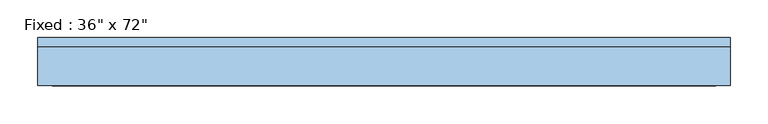
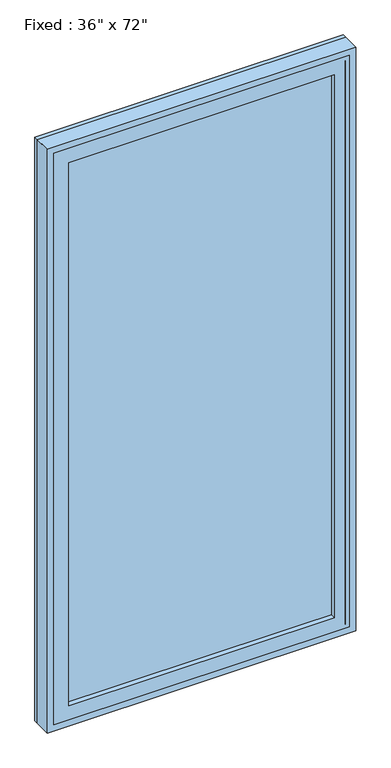
"""IFC4 building model written with IfcOpenShell, lengths in millimetres: window geometry."""

from ifc_helpers import new_model, si_unit, frame, origin, place, context, project, spatial, polyline, outline, extrude, source, transform, mapped, element, save


def window_9681e66c(model_context):
    return source(origin(), model_context, "Body", "SweptSolid", [
        extrude(outline(polyline([(355.6, -41.275), (-431.8, -41.275), (-431.8, -28.575), (355.6, -28.575), (355.6, -41.275)])), frame((0.0, 0.0, 368.3), z_axis=(0.0, 0.0, 1.0), x_axis=(1.0, 0.0, 0.0)), (0.0, 0.0, 1.0), 1701.8),
        extrude(outline(polyline([(2114.55, -476.25), (323.85, -476.25), (323.85, 400.05), (2114.55, 400.05), (2114.55, -476.25)]), holes=[polyline([(2070.1, -431.8), (2070.1, 355.6), (368.3, 355.6), (368.3, -431.8), (2070.1, -431.8)])]), frame((0.0, -57.15, 0.0), z_axis=(0.0, 1.0, 0.0), x_axis=(0.0, 0.0, 1.0)), (0.0, 0.0, 1.0), 44.45),
        extrude(outline(polyline([(2133.6, -495.3), (304.8, -495.3), (304.8, 419.1), (2133.6, 419.1), (2133.6, -495.3)]), holes=[polyline([(2101.85, -463.55), (2101.85, 387.35), (336.55, 387.35), (336.55, -463.55), (2101.85, -463.55)])]), frame((0.0, -57.15, 0.0), z_axis=(0.0, 1.0, 0.0), x_axis=(0.0, 0.0, 1.0)), (0.0, 0.0, 1.0), 50.8),
        extrude(outline(polyline([(2133.6, 419.1), (2133.6, -495.3), (304.8, -495.3), (304.8, 419.1), (2133.6, 419.1)]), holes=[polyline([(2114.55, 400.05), (323.85, 400.05), (323.85, -476.25), (2114.55, -476.25), (2114.55, 400.05)])]), frame((0.0, -57.15, 0.0), z_axis=(0.0, 1.0, 0.0), x_axis=(0.0, 0.0, 1.0)), (0.0, 0.0, 1.0), 63.5),
    ])


if __name__ == "__main__":
    model = new_model("IFC4")
    model_context = context("Model", 3, world=origin())
    ifc_project = project(units=[si_unit("LENGTHUNIT", "METRE", prefix="MILLI")], contexts=[model_context])
    site = spatial("IfcSite", under=ifc_project)
    building = spatial("IfcBuilding", under=site)
    placement = place(None, origin())
    window_shape = window_9681e66c(model_context)
    element("IfcWindow", 1, ObjectType="Fixed : 36\" x 72\"", at=placement, inside=building, context=model_context, shape_type="MappedRepresentation", body=[
        mapped(window_shape, transform((0.0, 0.0, 0.0), x_axis=(1.0, 0.0, 0.0), y_axis=(0.0, 1.0, 0.0), z_axis=(0.0, 0.0, 1.0))),
    ])
    save(model, "model.ifc")
